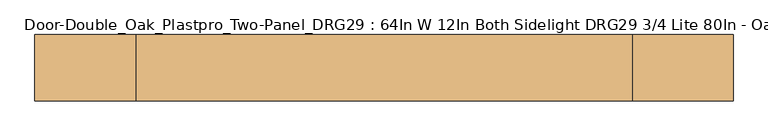
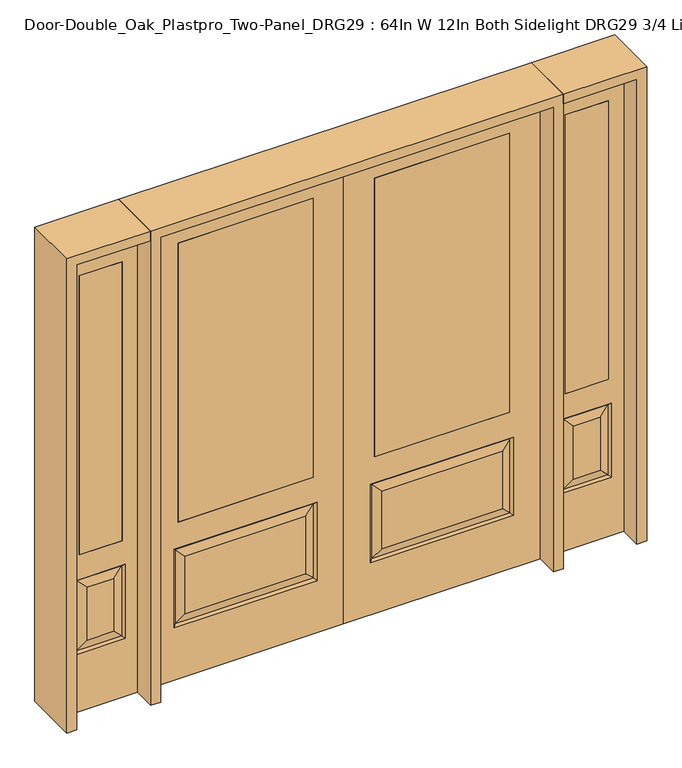
"""IFC4 building model written with IfcOpenShell, lengths in millimetres: door geometry, Door-Double_Oak_Plastpro_Two-Panel_DRG29 : 64In W 12In Both Sidelight DRG29 3/4 Lite 80In - Oak."""

import ifcopenshell
import ifcopenshell.guid

model = None  # the IFC model being written
_history = None  # IfcOwnerHistory: only IFC2X3 demands one
_inside = {}  # id of a spatial element -> (the spatial element, [elements in it])
_under = {}  # id of a project, library or spatial element -> (it, [spatial elements below it])
_declared = {}  # id of a project -> (the project, [libraries it declares])
_typed = {}  # id of a type object -> (the type object, [elements of that type])
_made_of = {}  # id of a material, layer set ... -> (it, [elements and type objects made of it])


def new_model(schema):
    """Start an empty IFC model of exactly this schema.

    Asked for "IFC4X3", IfcOpenShell would pick the latest addendum, in which some entities
    have other attributes; the version numbers below select the first issue.
    IFC2X3 requires an IfcOwnerHistory on every rooted entity: one is made here for all.
    """
    global model, _history
    if schema == "IFC4X3":
        model = ifcopenshell.file(schema_version=(4, 3, 0, 0))
    else:
        model = ifcopenshell.file(schema=schema)
    _inside.clear()
    _under.clear()
    _declared.clear()
    _typed.clear()
    _made_of.clear()
    _history = None
    if model.schema == "IFC2X3":
        org = make("IfcOrganization", Name="unknown")
        user = make(
            "IfcPersonAndOrganization",
            ThePerson=make("IfcPerson", FamilyName="unknown"),
            TheOrganization=org,
        )
        app = make(
            "IfcApplication",
            ApplicationDeveloper=org,
            Version="unknown",
            ApplicationFullName="unknown",
            ApplicationIdentifier="unknown",
        )
        _history = make(
            "IfcOwnerHistory",
            OwningUser=user,
            OwningApplication=app,
            ChangeAction="ADDED",
            CreationDate=0,
        )
    return model


def make(cls, **values):
    """One entity of the class cls with the attributes given. An attribute that is None is left unset."""
    return model.create_entity(
        cls, **{name: value for name, value in values.items() if value is not None}
    )


def rooted(cls, **values):
    """An entity with a GlobalId (a new one), such as an element, a storey or a relation."""
    return make(cls, GlobalId=ifcopenshell.guid.new(), OwnerHistory=_history, **values)


def si_unit(unit_type, name, prefix=None):
    """IfcSIUnit, for example si_unit("LENGTHUNIT", "METRE", prefix="MILLI")."""
    return make("IfcSIUnit", UnitType=unit_type, Prefix=prefix, Name=name)


def assignment(units):
    """IfcUnitAssignment: the units of a project."""
    return None if units is None else make("IfcUnitAssignment", Units=units)


def point(xyz):
    """IfcCartesianPoint."""
    return None if xyz is None else make("IfcCartesianPoint", Coordinates=xyz)


def direction(xyz):
    """IfcDirection."""
    return None if xyz is None else make("IfcDirection", DirectionRatios=xyz)


def frame(location, z_axis=None, x_axis=None):
    """IfcAxis2Placement3D, a coordinate frame: its origin and axes. An axis left out is left unset."""
    return make(
        "IfcAxis2Placement3D",
        Location=point(location),
        Axis=direction(z_axis),
        RefDirection=direction(x_axis),
    )


def origin():
    """The frame at (0, 0, 0) with its axes left unset."""
    return frame((0.0, 0.0, 0.0))


def place(relative_to, where):
    """IfcLocalPlacement: puts the frame where relative to a parent placement (None: the world)."""
    return make(
        "IfcLocalPlacement", PlacementRelTo=relative_to, RelativePlacement=where
    )


def context(
    kind, dimensions, precision=None, world=None, true_north=None, identifier=None
):
    """IfcGeometricRepresentationContext, for example the 3D "Model" context."""
    return make(
        "IfcGeometricRepresentationContext",
        ContextIdentifier=identifier,
        ContextType=kind,
        CoordinateSpaceDimension=dimensions,
        Precision=precision,
        WorldCoordinateSystem=world,
        TrueNorth=true_north,
    )


def project(units=None, contexts=None):
    """IfcProject with its units and contexts."""
    return rooted(
        "IfcProject",
        Name="project",
        RepresentationContexts=contexts,
        UnitsInContext=assignment(units),
    )


def spatial(cls, under=None, at=None, **own):
    """A site, building, storey or space (cls), placed at a placement, below another one or the project."""
    s = rooted(cls, ObjectPlacement=at, **own)
    if under is not None:
        _under.setdefault(under.id(), (under, []))[1].append(s)
    return s


def polyline(points):
    """IfcPolyline through the points."""
    return make("IfcPolyline", Points=[point(p) for p in points])


def outline(outer, holes=None, kind="AREA"):
    """IfcArbitraryClosedProfileDef: a profile drawn as a closed curve; with holes, ...WithVoids."""
    if holes is None:
        return make("IfcArbitraryClosedProfileDef", ProfileType=kind, OuterCurve=outer)
    return make(
        "IfcArbitraryProfileDefWithVoids",
        ProfileType=kind,
        OuterCurve=outer,
        InnerCurves=holes,
    )


def extrude(swept, where, along, depth):
    """IfcExtrudedAreaSolid: the profile swept, set in the frame where, extruded along a direction by depth."""
    return make(
        "IfcExtrudedAreaSolid",
        SweptArea=swept,
        Position=where,
        ExtrudedDirection=direction(along),
        Depth=depth,
    )


def faces_of(points, faces, orient=None, outer=None):
    """IfcFace entities. A face is a list of loops; a loop is a list of indices into points, from 0.

    orient and outer hold one flag for each loop. By default every Orientation is true, the
    first loop of a face is its IfcFaceOuterBound and the others are IfcFaceBound.
    """
    made = []
    for i, loops in enumerate(faces):
        bounds = []
        for j, loop in enumerate(loops):
            is_outer = j == 0 if outer is None else outer[i][j]
            bounds.append(
                make(
                    "IfcFaceOuterBound" if is_outer else "IfcFaceBound",
                    Bound=make("IfcPolyLoop", Polygon=[points[k] for k in loop]),
                    Orientation=True if orient is None else orient[i][j],
                )
            )
        made.append(make("IfcFace", Bounds=bounds))
    return made


def faceted_brep(points, faces, orient=None, outer=None, voids=None):
    """IfcFacetedBrep: a solid bounded by flat faces; with voids (closed shells), ...WithVoids."""
    shared = [point(p) for p in points]
    hull = make("IfcClosedShell", CfsFaces=faces_of(shared, faces, orient, outer))
    if voids is None:
        return make("IfcFacetedBrep", Outer=hull)
    return make(
        "IfcFacetedBrepWithVoids",
        Outer=hull,
        Voids=[
            make(cls, CfsFaces=faces_of(shared, fs, o, b)) for cls, fs, o, b in voids
        ],
    )


def shape(context_of_items, identifier, shape_type, items):
    """IfcShapeRepresentation: the items that make up one representation, for example the "Body"."""
    return make(
        "IfcShapeRepresentation",
        ContextOfItems=context_of_items,
        RepresentationIdentifier=identifier,
        RepresentationType=shape_type,
        Items=items,
    )


def source(mapping_origin, context_of_items, identifier, shape_type, items):
    """IfcRepresentationMap: a shape defined once, which mapped items show again and again."""
    return make(
        "IfcRepresentationMap",
        MappingOrigin=mapping_origin,
        MappedRepresentation=shape(context_of_items, identifier, shape_type, items),
    )


def transform(
    local_origin,
    x_axis=None,
    y_axis=None,
    z_axis=None,
    scale=None,
    scale2=None,
    scale3=None,
    uniform=True,
):
    """IfcCartesianTransformationOperator3D, or its non-uniform kind. x_axis, y_axis, z_axis: its Axis1, 2, 3."""
    if uniform:
        return make(
            "IfcCartesianTransformationOperator3D",
            Axis1=direction(x_axis),
            Axis2=direction(y_axis),
            LocalOrigin=point(local_origin),
            Scale=scale,
            Axis3=direction(z_axis),
        )
    return make(
        "IfcCartesianTransformationOperator3DnonUniform",
        Axis1=direction(x_axis),
        Axis2=direction(y_axis),
        LocalOrigin=point(local_origin),
        Scale=scale,
        Axis3=direction(z_axis),
        Scale2=scale2,
        Scale3=scale3,
    )


def mapped(mapping_source, mapping_target):
    """IfcMappedItem: shows the shape of a source again, moved by a transform."""
    return make(
        "IfcMappedItem", MappingSource=mapping_source, MappingTarget=mapping_target
    )


def made_of(thing, what):
    """Note that an element or type object is made of a material, layer set ...; save() writes the relation."""
    if what is not None:
        _made_of.setdefault(what.id(), (what, []))[1].append(thing)
    return thing


def element(
    cls,
    number,
    at=None,
    inside=None,
    cuts=None,
    type_object=None,
    material=None,
    context=None,
    identifier="Body",
    shape_type=None,
    held_by="IfcProductDefinitionShape",
    body=None,
    shapes=None,
    **own,
):
    """One element of the class cls, such as IfcWall. Its Tag is "e" and its number.

    at: its placement. inside: the storey or other place that contains it. cuts: it is an
    opening in that element (IfcRelVoidsElement). A single representation is given by context,
    identifier, shape_type and body (its items); several are given by shapes. held_by: the class
    of the entity that holds the representations. save() writes the other relations.
    """
    e = rooted(cls, Tag="e%d" % number, ObjectPlacement=at, **own)
    if body is not None:
        shapes = [shape(context, identifier, shape_type, body)]
    if shapes is not None:
        e.Representation = make(held_by, Representations=shapes)
    if inside is not None:
        _inside.setdefault(inside.id(), (inside, []))[1].append(e)
    if cuts is not None:
        rooted(
            "IfcRelVoidsElement", RelatingBuildingElement=cuts, RelatedOpeningElement=e
        )
    if type_object is not None:
        _typed.setdefault(type_object.id(), (type_object, []))[1].append(e)
    return made_of(e, material)


def aggregate(whole, parts):
    """IfcRelAggregates: a whole, such as a stair, and the parts it consists of."""
    return rooted("IfcRelAggregates", RelatingObject=whole, RelatedObjects=parts)


def save(model, path):
    """Write the relations noted so far, then the file.

    IfcRelAggregates (storeys below a building ...), IfcRelContainedInSpatialStructure (elements
    in a storey), IfcRelDefinesByType, IfcRelAssociatesMaterial and IfcRelDeclares: one each for
    every whole, place, type object, material and project.
    """
    for whole, parts in _under.values():
        aggregate(whole, parts)
    for where, things in _inside.values():
        rooted(
            "IfcRelContainedInSpatialStructure",
            RelatedElements=things,
            RelatingStructure=where,
        )
    for kind, things in _typed.values():
        rooted("IfcRelDefinesByType", RelatedObjects=things, RelatingType=kind)
    for what, things in _made_of.values():
        rooted("IfcRelAssociatesMaterial", RelatedObjects=things, RelatingMaterial=what)
    for by, libraries in _declared.values():
        rooted("IfcRelDeclares", RelatingContext=by, RelatedDefinitions=libraries)
    model.write(path)


def door_double_oak_plastpro_two_panel_drg29_64in_w_12in_both_801cf955(model_context):
    return source(origin(), model_context, "Body", "SolidModel", [
        extrude(outline(polyline([(685.8, -20.6375), (127.0, -20.6375), (127.0, 20.6375), (685.8, 20.6375), (685.8, -20.6375)])), frame((0.0, 0.0, 685.8), z_axis=(0.0, 0.0, 1.0), x_axis=(1.0, 0.0, 0.0)), (0.0, 0.0, 1.0), 1219.2),
        faceted_brep([(655.5224548, -20.6375, 274.7525452), (655.5224548, -20.6375, 525.3474548), (157.2775452, -20.6375, 525.3474548), (157.2775452, -20.6375, 274.7525452), (0.0, -20.6375, 2032.0), (0.0, -20.6375, 0.0), (812.8, -20.6375, 0.0), (812.8, -20.6375, 2032.0), (111.2400452, -20.6375, 228.7150452), (111.2400452, -20.6375, 571.3849548), (701.5599548, -20.6375, 571.3849548), (701.5599548, -20.6375, 228.7150452), (685.8, -20.6375, 1905.0), (685.8, -20.6375, 685.8), (127.0, -20.6375, 685.8), (127.0, -20.6375, 1905.0), (685.8, 20.6375, 1905.0), (685.8, 20.6375, 685.8), (127.0, 20.6375, 685.8), (157.2775452, 20.6375, 274.7525452), (157.2775452, 20.6375, 525.3474548), (655.5224548, 20.6375, 525.3474548), (655.5224548, 20.6375, 274.7525452), (812.8, 20.6375, 2032.0), (812.8, 20.6375, 0.0), (0.0, 20.6375, 0.0), (0.0, 20.6375, 2032.0), (701.5599548, 20.6375, 228.7150452), (701.5599548, 20.6375, 571.3849548), (111.2400452, 20.6375, 571.3849548), (111.2400452, 20.6375, 228.7150452), (127.0, 20.6375, 1905.0), (120.2203014, -11.6572439, 237.6953014), (692.5796986, -11.6572439, 237.6953014), (692.5796986, -11.6572439, 562.4046986), (120.2203014, -11.6572439, 562.4046986), (120.2203014, 11.6572439, 237.6953014), (692.5796986, 11.6572439, 237.6953014), (692.5796986, 11.6572439, 562.4046986), (120.2203014, 11.6572439, 562.4046986)], [[[0, 1, 2, 3]], [[4, 5, 6, 7], [8, 9, 10, 11], [12, 13, 14, 15]], [[16, 17, 13, 12]], [[17, 18, 14, 13]], [[19, 20, 21, 22]], [[23, 24, 25, 26], [27, 28, 29, 30], [31, 18, 17, 16]], [[15, 14, 18, 31]], [[6, 5, 25, 24]], [[7, 6, 24, 23]], [[26, 25, 5, 4]], [[32, 8, 11, 33]], [[11, 10, 34, 33]], [[10, 9, 35, 34]], [[32, 35, 9, 8]], [[33, 0, 3, 32]], [[3, 2, 35, 32]], [[34, 35, 2, 1]], [[33, 34, 1, 0]], [[36, 19, 22, 37]], [[22, 21, 38, 37]], [[21, 20, 39, 38]], [[36, 39, 20, 19]], [[37, 27, 30, 36]], [[30, 29, 39, 36]], [[38, 39, 29, 28]], [[37, 38, 28, 27]], [[12, 15, 31, 16]], [[7, 23, 26, 4]]]),
        extrude(outline(polyline([(-685.8, -20.6375), (-685.8, 20.6375), (-127.0, 20.6375), (-127.0, -20.6375), (-685.8, -20.6375)])), frame((0.0, 0.0, 685.8), z_axis=(0.0, 0.0, 1.0), x_axis=(1.0, 0.0, 0.0)), (0.0, 0.0, 1.0), 1219.2),
        faceted_brep([(-655.5224548, -20.6375, 274.7525452), (-157.2775452, -20.6375, 274.7525452), (-157.2775452, -20.6375, 525.3474548), (-655.5224548, -20.6375, 525.3474548), (0.0, -20.6375, 2032.0), (-812.8, -20.6375, 2032.0), (-812.8, -20.6375, 0.0), (0.0, -20.6375, 0.0), (-111.2400452, -20.6375, 228.7150452), (-701.5599548, -20.6375, 228.7150452), (-701.5599548, -20.6375, 571.3849548), (-111.2400452, -20.6375, 571.3849548), (-685.8, -20.6375, 1905.0), (-127.0, -20.6375, 1905.0), (-127.0, -20.6375, 685.8), (-685.8, -20.6375, 685.8), (-685.8, 20.6375, 1905.0), (-685.8, 20.6375, 685.8), (-127.0, 20.6375, 685.8), (-157.2775452, 20.6375, 274.7525452), (-655.5224548, 20.6375, 274.7525452), (-655.5224548, 20.6375, 525.3474548), (-157.2775452, 20.6375, 525.3474548), (-812.8, 20.6375, 2032.0), (0.0, 20.6375, 2032.0), (0.0, 20.6375, 0.0), (-812.8, 20.6375, 0.0), (-701.5599548, 20.6375, 228.7150452), (-111.2400452, 20.6375, 228.7150452), (-111.2400452, 20.6375, 571.3849548), (-701.5599548, 20.6375, 571.3849548), (-127.0, 20.6375, 1905.0), (-120.2203014, -11.6572439, 237.6953014), (-692.5796986, -11.6572439, 237.6953014), (-692.5796986, -11.6572439, 562.4046986), (-120.2203014, -11.6572439, 562.4046986), (-120.2203014, 11.6572439, 237.6953014), (-692.5796986, 11.6572439, 237.6953014), (-692.5796986, 11.6572439, 562.4046986), (-120.2203014, 11.6572439, 562.4046986)], [[[0, 1, 2, 3]], [[4, 5, 6, 7], [8, 9, 10, 11], [12, 13, 14, 15]], [[16, 12, 15, 17]], [[17, 15, 14, 18]], [[19, 20, 21, 22]], [[23, 24, 25, 26], [27, 28, 29, 30], [31, 16, 17, 18]], [[13, 31, 18, 14]], [[6, 26, 25, 7]], [[5, 23, 26, 6]], [[24, 4, 7, 25]], [[32, 33, 9, 8]], [[9, 33, 34, 10]], [[10, 34, 35, 11]], [[32, 8, 11, 35]], [[33, 32, 1, 0]], [[1, 32, 35, 2]], [[34, 3, 2, 35]], [[33, 0, 3, 34]], [[36, 37, 20, 19]], [[20, 37, 38, 21]], [[21, 38, 39, 22]], [[36, 19, 22, 39]], [[37, 36, 28, 27]], [[28, 36, 39, 29]], [[38, 30, 29, 39]], [[37, 27, 30, 38]], [[12, 16, 31, 13]], [[5, 4, 24, 23]]]),
        extrude(outline(polyline([(1095.375, -20.6375), (917.575, -20.6375), (917.575, 20.6375), (1095.375, 20.6375), (1095.375, -20.6375)])), frame((0.0, 0.0, 685.8), z_axis=(0.0, 0.0, 1.0), x_axis=(1.0, 0.0, 0.0)), (0.0, 0.0, 1.0), 1219.2),
        faceted_brep([(1095.375, -20.6375, 1905.0), (917.575, -20.6375, 1905.0), (917.575, 20.6375, 1905.0), (1095.375, 20.6375, 1905.0), (1061.9224548, -20.6375, 531.6974548), (951.0275452, -20.6375, 531.6974548), (951.0275452, -20.6375, 300.1525452), (1061.9224548, -20.6375, 300.1525452), (854.075, -20.6375, 2032.0), (854.075, -20.6375, 0.0), (1158.875, -20.6375, 0.0), (1158.875, -20.6375, 2032.0), (1095.375, -20.6375, 685.8), (917.575, -20.6375, 685.8), (1107.9599548, -20.6375, 254.1150452), (904.9900452, -20.6375, 254.1150452), (904.9900452, -20.6375, 577.7349548), (1107.9599548, -20.6375, 577.7349548), (1098.9796986, 11.6572439, 568.7546986), (1107.9599548, 20.6375, 577.7349548), (1107.9599548, 20.6375, 254.1150452), (1098.9796986, 11.6572439, 263.0953014), (913.9703014, 11.6572439, 568.7546986), (904.9900452, 20.6375, 577.7349548), (1061.9224548, 20.6375, 300.1525452), (1061.9224548, 20.6375, 531.6974548), (1095.375, 20.6375, 685.8), (917.575, 20.6375, 685.8), (913.9703014, -11.6572439, 263.0953014), (1098.9796986, -11.6572439, 263.0953014), (913.9703014, -11.6572439, 568.7546986), (1098.9796986, -11.6572439, 568.7546986), (854.075, 20.6375, 2032.0), (1158.875, 20.6375, 2032.0), (854.075, 20.6375, 0.0), (1158.875, 20.6375, 0.0), (904.9900452, 20.6375, 254.1150452), (951.0275452, 20.6375, 300.1525452), (951.0275452, 20.6375, 531.6974548), (913.9703014, 11.6572439, 263.0953014)], [[[0, 1, 2, 3]], [[4, 5, 6, 7]], [[8, 9, 10, 11], [0, 12, 13, 1], [14, 15, 16, 17]], [[18, 19, 20, 21]], [[18, 22, 23, 19]], [[21, 24, 25, 18]], [[26, 27, 13, 12]], [[7, 6, 28, 29]], [[6, 5, 30, 28]], [[29, 14, 17, 31]], [[32, 8, 11, 33]], [[34, 35, 10, 9]], [[32, 34, 9, 8]], [[11, 10, 35, 33]], [[33, 35, 34, 32], [19, 23, 36, 20], [2, 27, 26, 3]], [[24, 37, 38, 25]], [[20, 36, 39, 21]], [[36, 23, 22, 39]], [[25, 38, 22, 18]], [[39, 22, 38, 37]], [[21, 39, 37, 24]], [[3, 26, 12, 0]], [[1, 13, 27, 2]], [[31, 4, 7, 29]], [[31, 30, 5, 4]], [[17, 16, 30, 31]], [[28, 30, 16, 15]], [[29, 28, 15, 14]]]),
        extrude(outline(polyline([(-1095.375, -20.6375), (-1095.375, 20.6375), (-917.575, 20.6375), (-917.575, -20.6375), (-1095.375, -20.6375)])), frame((0.0, 0.0, 685.8), z_axis=(0.0, 0.0, 1.0), x_axis=(1.0, 0.0, 0.0)), (0.0, 0.0, 1.0), 1219.2),
        faceted_brep([(-1095.375, -20.6375, 1905.0), (-1095.375, 20.6375, 1905.0), (-917.575, 20.6375, 1905.0), (-917.575, -20.6375, 1905.0), (-1061.9224548, -20.6375, 531.6974548), (-1061.9224548, -20.6375, 300.1525452), (-951.0275452, -20.6375, 300.1525452), (-951.0275452, -20.6375, 531.6974548), (-854.075, -20.6375, 2032.0), (-1158.875, -20.6375, 2032.0), (-1158.875, -20.6375, 0.0), (-854.075, -20.6375, 0.0), (-1107.9599548, -20.6375, 254.1150452), (-1107.9599548, -20.6375, 577.7349548), (-904.9900452, -20.6375, 577.7349548), (-904.9900452, -20.6375, 254.1150452), (-917.575, -20.6375, 685.8), (-1095.375, -20.6375, 685.8), (-1098.9796986, 11.6572439, 568.7546986), (-1098.9796986, 11.6572439, 263.0953014), (-1107.9599548, 20.6375, 254.1150452), (-1107.9599548, 20.6375, 577.7349548), (-904.9900452, 20.6375, 577.7349548), (-913.9703014, 11.6572439, 568.7546986), (-1061.9224548, 20.6375, 531.6974548), (-1061.9224548, 20.6375, 300.1525452), (-1095.375, 20.6375, 685.8), (-917.575, 20.6375, 685.8), (-1098.9796986, -11.6572439, 263.0953014), (-913.9703014, -11.6572439, 263.0953014), (-913.9703014, -11.6572439, 568.7546986), (-1098.9796986, -11.6572439, 568.7546986), (-854.075, 20.6375, 2032.0), (-1158.875, 20.6375, 2032.0), (-854.075, 20.6375, 0.0), (-1158.875, 20.6375, 0.0), (-904.9900452, 20.6375, 254.1150452), (-951.0275452, 20.6375, 531.6974548), (-951.0275452, 20.6375, 300.1525452), (-913.9703014, 11.6572439, 263.0953014)], [[[0, 1, 2, 3]], [[4, 5, 6, 7]], [[8, 9, 10, 11], [12, 13, 14, 15], [0, 3, 16, 17]], [[18, 19, 20, 21]], [[18, 21, 22, 23]], [[19, 18, 24, 25]], [[26, 17, 16, 27]], [[5, 28, 29, 6]], [[6, 29, 30, 7]], [[28, 31, 13, 12]], [[32, 33, 9, 8]], [[34, 11, 10, 35]], [[32, 8, 11, 34]], [[9, 33, 35, 10]], [[33, 32, 34, 35], [21, 20, 36, 22], [2, 1, 26, 27]], [[25, 24, 37, 38]], [[20, 19, 39, 36]], [[36, 39, 23, 22]], [[24, 18, 23, 37]], [[39, 38, 37, 23]], [[19, 25, 38, 39]], [[1, 0, 17, 26]], [[3, 2, 27, 16]], [[31, 28, 5, 4]], [[31, 4, 7, 30]], [[13, 31, 30, 14]], [[29, 15, 14, 30]], [[28, 12, 15, 29]]]),
        extrude(outline(polyline([(2032.0, -854.075), (2073.275, -854.075), (2073.275, -1200.15), (0.0, -1200.15), (0.0, -1158.875), (2032.0, -1158.875), (2032.0, -854.075)])), frame((0.0, -114.3, 0.0), z_axis=(0.0, 1.0, 0.0), x_axis=(0.0, 0.0, 1.0)), (0.0, 0.0, 1.0), 228.6),
        extrude(outline(polyline([(2073.275, -854.075), (0.0, -854.075), (0.0, -812.8), (2032.0, -812.8), (2032.0, 812.8), (0.0, 812.8), (0.0, 854.075), (2073.275, 854.075), (2073.275, -854.075)])), frame((0.0, -114.3, 0.0), z_axis=(0.0, 1.0, 0.0), x_axis=(0.0, 0.0, 1.0)), (0.0, 0.0, 1.0), 228.6),
        extrude(outline(polyline([(0.0, 1158.875), (0.0, 1200.15), (2073.275, 1200.15), (2073.275, 854.075), (2032.0, 854.075), (2032.0, 1158.875), (0.0, 1158.875)])), frame((0.0, -114.3, 0.0), z_axis=(0.0, 1.0, 0.0), x_axis=(0.0, 0.0, 1.0)), (0.0, 0.0, 1.0), 228.6),
    ])


if __name__ == "__main__":
    model = new_model("IFC4")
    model_context = context("Model", 3, world=origin())
    ifc_project = project(units=[si_unit("LENGTHUNIT", "METRE", prefix="MILLI")], contexts=[model_context])
    site = spatial("IfcSite", under=ifc_project)
    building = spatial("IfcBuilding", under=site)
    placement = place(None, origin())
    door_double_oak_plastpro_two_panel_drg29_64in_w_12in_both_shape = door_double_oak_plastpro_two_panel_drg29_64in_w_12in_both_801cf955(model_context)
    element("IfcDoor", 1, ObjectType="Door-Double_Oak_Plastpro_Two-Panel_DRG29 : 64In W 12In Both Sidelight DRG29 3/4 Lite 80In - Oak", at=placement, inside=building, context=model_context, shape_type="MappedRepresentation", body=[
        mapped(door_double_oak_plastpro_two_panel_drg29_64in_w_12in_both_shape, transform((0.0, 0.0, 0.0), x_axis=(1.0, 0.0, 0.0), y_axis=(0.0, 1.0, 0.0), z_axis=(0.0, 0.0, 1.0))),
    ])
    save(model, "model.ifc")
